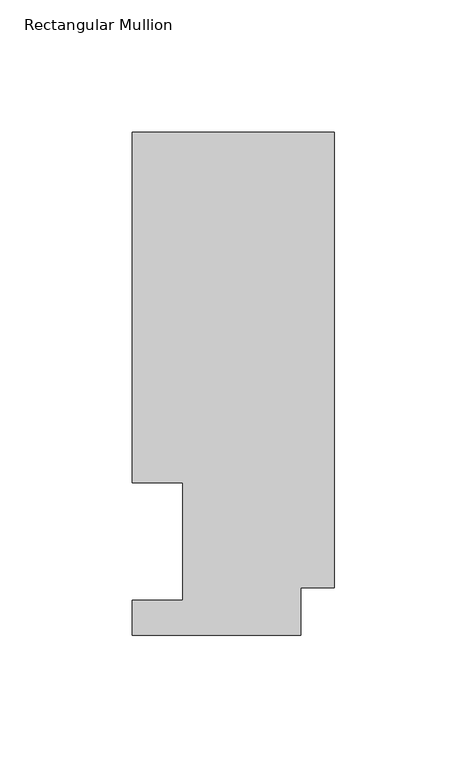
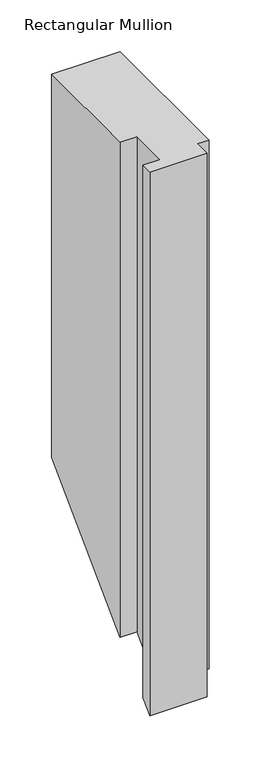
"""IFC4 building model written with IfcOpenShell, lengths in millimetres: member geometry, Rectangular Mullion."""

import ifcopenshell
import ifcopenshell.guid

model = None  # the IFC model being written
_history = None  # IfcOwnerHistory: only IFC2X3 demands one
_inside = {}  # id of a spatial element -> (the spatial element, [elements in it])
_under = {}  # id of a project, library or spatial element -> (it, [spatial elements below it])
_declared = {}  # id of a project -> (the project, [libraries it declares])
_typed = {}  # id of a type object -> (the type object, [elements of that type])
_made_of = {}  # id of a material, layer set ... -> (it, [elements and type objects made of it])


def new_model(schema):
    """Start an empty IFC model of exactly this schema.

    Asked for "IFC4X3", IfcOpenShell would pick the latest addendum, in which some entities
    have other attributes; the version numbers below select the first issue.
    IFC2X3 requires an IfcOwnerHistory on every rooted entity: one is made here for all.
    """
    global model, _history
    if schema == "IFC4X3":
        model = ifcopenshell.file(schema_version=(4, 3, 0, 0))
    else:
        model = ifcopenshell.file(schema=schema)
    _inside.clear()
    _under.clear()
    _declared.clear()
    _typed.clear()
    _made_of.clear()
    _history = None
    if model.schema == "IFC2X3":
        org = make("IfcOrganization", Name="unknown")
        user = make(
            "IfcPersonAndOrganization",
            ThePerson=make("IfcPerson", FamilyName="unknown"),
            TheOrganization=org,
        )
        app = make(
            "IfcApplication",
            ApplicationDeveloper=org,
            Version="unknown",
            ApplicationFullName="unknown",
            ApplicationIdentifier="unknown",
        )
        _history = make(
            "IfcOwnerHistory",
            OwningUser=user,
            OwningApplication=app,
            ChangeAction="ADDED",
            CreationDate=0,
        )
    return model


def make(cls, **values):
    """One entity of the class cls with the attributes given. An attribute that is None is left unset."""
    return model.create_entity(
        cls, **{name: value for name, value in values.items() if value is not None}
    )


def rooted(cls, **values):
    """An entity with a GlobalId (a new one), such as an element, a storey or a relation."""
    return make(cls, GlobalId=ifcopenshell.guid.new(), OwnerHistory=_history, **values)


def si_unit(unit_type, name, prefix=None):
    """IfcSIUnit, for example si_unit("LENGTHUNIT", "METRE", prefix="MILLI")."""
    return make("IfcSIUnit", UnitType=unit_type, Prefix=prefix, Name=name)


def assignment(units):
    """IfcUnitAssignment: the units of a project."""
    return None if units is None else make("IfcUnitAssignment", Units=units)


def point(xyz):
    """IfcCartesianPoint."""
    return None if xyz is None else make("IfcCartesianPoint", Coordinates=xyz)


def direction(xyz):
    """IfcDirection."""
    return None if xyz is None else make("IfcDirection", DirectionRatios=xyz)


def frame(location, z_axis=None, x_axis=None):
    """IfcAxis2Placement3D, a coordinate frame: its origin and axes. An axis left out is left unset."""
    return make(
        "IfcAxis2Placement3D",
        Location=point(location),
        Axis=direction(z_axis),
        RefDirection=direction(x_axis),
    )


def origin():
    """The frame at (0, 0, 0) with its axes left unset."""
    return frame((0.0, 0.0, 0.0))


def place(relative_to, where):
    """IfcLocalPlacement: puts the frame where relative to a parent placement (None: the world)."""
    return make(
        "IfcLocalPlacement", PlacementRelTo=relative_to, RelativePlacement=where
    )


def context(
    kind, dimensions, precision=None, world=None, true_north=None, identifier=None
):
    """IfcGeometricRepresentationContext, for example the 3D "Model" context."""
    return make(
        "IfcGeometricRepresentationContext",
        ContextIdentifier=identifier,
        ContextType=kind,
        CoordinateSpaceDimension=dimensions,
        Precision=precision,
        WorldCoordinateSystem=world,
        TrueNorth=true_north,
    )


def project(units=None, contexts=None):
    """IfcProject with its units and contexts."""
    return rooted(
        "IfcProject",
        Name="project",
        RepresentationContexts=contexts,
        UnitsInContext=assignment(units),
    )


def spatial(cls, under=None, at=None, **own):
    """A site, building, storey or space (cls), placed at a placement, below another one or the project."""
    s = rooted(cls, ObjectPlacement=at, **own)
    if under is not None:
        _under.setdefault(under.id(), (under, []))[1].append(s)
    return s


def faces_of(points, faces, orient=None, outer=None):
    """IfcFace entities. A face is a list of loops; a loop is a list of indices into points, from 0.

    orient and outer hold one flag for each loop. By default every Orientation is true, the
    first loop of a face is its IfcFaceOuterBound and the others are IfcFaceBound.
    """
    made = []
    for i, loops in enumerate(faces):
        bounds = []
        for j, loop in enumerate(loops):
            is_outer = j == 0 if outer is None else outer[i][j]
            bounds.append(
                make(
                    "IfcFaceOuterBound" if is_outer else "IfcFaceBound",
                    Bound=make("IfcPolyLoop", Polygon=[points[k] for k in loop]),
                    Orientation=True if orient is None else orient[i][j],
                )
            )
        made.append(make("IfcFace", Bounds=bounds))
    return made


def faceted_brep(points, faces, orient=None, outer=None, voids=None):
    """IfcFacetedBrep: a solid bounded by flat faces; with voids (closed shells), ...WithVoids."""
    shared = [point(p) for p in points]
    hull = make("IfcClosedShell", CfsFaces=faces_of(shared, faces, orient, outer))
    if voids is None:
        return make("IfcFacetedBrep", Outer=hull)
    return make(
        "IfcFacetedBrepWithVoids",
        Outer=hull,
        Voids=[
            make(cls, CfsFaces=faces_of(shared, fs, o, b)) for cls, fs, o, b in voids
        ],
    )


def shape(context_of_items, identifier, shape_type, items):
    """IfcShapeRepresentation: the items that make up one representation, for example the "Body"."""
    return make(
        "IfcShapeRepresentation",
        ContextOfItems=context_of_items,
        RepresentationIdentifier=identifier,
        RepresentationType=shape_type,
        Items=items,
    )


def source(mapping_origin, context_of_items, identifier, shape_type, items):
    """IfcRepresentationMap: a shape defined once, which mapped items show again and again."""
    return make(
        "IfcRepresentationMap",
        MappingOrigin=mapping_origin,
        MappedRepresentation=shape(context_of_items, identifier, shape_type, items),
    )


def transform(
    local_origin,
    x_axis=None,
    y_axis=None,
    z_axis=None,
    scale=None,
    scale2=None,
    scale3=None,
    uniform=True,
):
    """IfcCartesianTransformationOperator3D, or its non-uniform kind. x_axis, y_axis, z_axis: its Axis1, 2, 3."""
    if uniform:
        return make(
            "IfcCartesianTransformationOperator3D",
            Axis1=direction(x_axis),
            Axis2=direction(y_axis),
            LocalOrigin=point(local_origin),
            Scale=scale,
            Axis3=direction(z_axis),
        )
    return make(
        "IfcCartesianTransformationOperator3DnonUniform",
        Axis1=direction(x_axis),
        Axis2=direction(y_axis),
        LocalOrigin=point(local_origin),
        Scale=scale,
        Axis3=direction(z_axis),
        Scale2=scale2,
        Scale3=scale3,
    )


def mapped(mapping_source, mapping_target):
    """IfcMappedItem: shows the shape of a source again, moved by a transform."""
    return make(
        "IfcMappedItem", MappingSource=mapping_source, MappingTarget=mapping_target
    )


def made_of(thing, what):
    """Note that an element or type object is made of a material, layer set ...; save() writes the relation."""
    if what is not None:
        _made_of.setdefault(what.id(), (what, []))[1].append(thing)
    return thing


def element(
    cls,
    number,
    at=None,
    inside=None,
    cuts=None,
    type_object=None,
    material=None,
    context=None,
    identifier="Body",
    shape_type=None,
    held_by="IfcProductDefinitionShape",
    body=None,
    shapes=None,
    **own,
):
    """One element of the class cls, such as IfcWall. Its Tag is "e" and its number.

    at: its placement. inside: the storey or other place that contains it. cuts: it is an
    opening in that element (IfcRelVoidsElement). A single representation is given by context,
    identifier, shape_type and body (its items); several are given by shapes. held_by: the class
    of the entity that holds the representations. save() writes the other relations.
    """
    e = rooted(cls, Tag="e%d" % number, ObjectPlacement=at, **own)
    if body is not None:
        shapes = [shape(context, identifier, shape_type, body)]
    if shapes is not None:
        e.Representation = make(held_by, Representations=shapes)
    if inside is not None:
        _inside.setdefault(inside.id(), (inside, []))[1].append(e)
    if cuts is not None:
        rooted(
            "IfcRelVoidsElement", RelatingBuildingElement=cuts, RelatedOpeningElement=e
        )
    if type_object is not None:
        _typed.setdefault(type_object.id(), (type_object, []))[1].append(e)
    return made_of(e, material)


def aggregate(whole, parts):
    """IfcRelAggregates: a whole, such as a stair, and the parts it consists of."""
    return rooted("IfcRelAggregates", RelatingObject=whole, RelatedObjects=parts)


def save(model, path):
    """Write the relations noted so far, then the file.

    IfcRelAggregates (storeys below a building ...), IfcRelContainedInSpatialStructure (elements
    in a storey), IfcRelDefinesByType, IfcRelAssociatesMaterial and IfcRelDeclares: one each for
    every whole, place, type object, material and project.
    """
    for whole, parts in _under.values():
        aggregate(whole, parts)
    for where, things in _inside.values():
        rooted(
            "IfcRelContainedInSpatialStructure",
            RelatedElements=things,
            RelatingStructure=where,
        )
    for kind, things in _typed.values():
        rooted("IfcRelDefinesByType", RelatedObjects=things, RelatingType=kind)
    for what, things in _made_of.values():
        rooted("IfcRelAssociatesMaterial", RelatedObjects=things, RelatingMaterial=what)
    for by, libraries in _declared.values():
        rooted("IfcRelDeclares", RelatingContext=by, RelatedDefinitions=libraries)
    model.write(path)


def rectangular_mullion_f69c50b8(model_context):
    return source(origin(), model_context, "Body", "Brep", [
        faceted_brep([(0.0, 189.8022938, 0.0), (-76.2, 189.8022938, 0.0), (-76.2, 57.6460937, 0.0), (-57.1627, 57.6460937, 0.0), (-57.1627, 13.1960938, 0.0), (-76.2, 13.1960938, 0.0), (-76.2, 0.0134938, 0.0), (-12.7, 0.0134938, 0.0), (-12.7, 17.9712937, 0.0), (0.0, 17.9712937, 0.0), (0.0, 189.8022938, -451.5477062), (-76.2, 189.8022938, -451.5477062), (-76.2, 57.6460937, -583.7039062), (-57.1627, 57.6460937, -583.7039062), (-57.1627, 13.1960938, -628.1539062), (-76.2, 13.1960938, -628.1539062), (-76.2, 0.0134938, -641.3365062), (-12.7, 0.0134938, -641.3365062), (-12.7, 17.9712937, -623.3787062), (0.0, 17.9712937, -623.3787062)], [[[0, 1, 2, 3, 4, 5, 6, 7, 8, 9]], [[1, 0, 10, 11]], [[2, 1, 11, 12]], [[3, 2, 12, 13]], [[4, 3, 13, 14]], [[5, 4, 14, 15]], [[6, 5, 15, 16]], [[7, 6, 16, 17]], [[8, 7, 17, 18]], [[9, 8, 18, 19]], [[0, 9, 19, 10]], [[10, 19, 18, 17, 16, 15, 14, 13, 12, 11]]]),
    ])


if __name__ == "__main__":
    model = new_model("IFC4")
    model_context = context("Model", 3, world=origin())
    ifc_project = project(units=[si_unit("LENGTHUNIT", "METRE", prefix="MILLI")], contexts=[model_context])
    site = spatial("IfcSite", under=ifc_project)
    building = spatial("IfcBuilding", under=site)
    placement = place(None, origin())
    rectangular_mullion_shape = rectangular_mullion_f69c50b8(model_context)
    element("IfcMember", 1, ObjectType="Rectangular Mullion", at=placement, inside=building, context=model_context, shape_type="MappedRepresentation", body=[
        mapped(rectangular_mullion_shape, transform((0.0, 0.0, 0.0), x_axis=(1.0, 0.0, 0.0), y_axis=(0.0, 1.0, 0.0), z_axis=(0.0, 0.0, 1.0))),
    ])
    save(model, "model.ifc")
